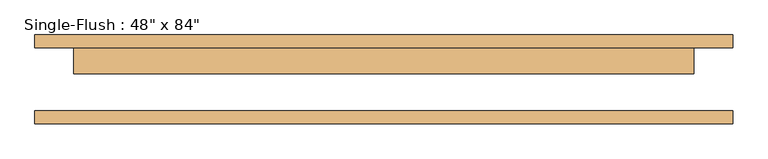
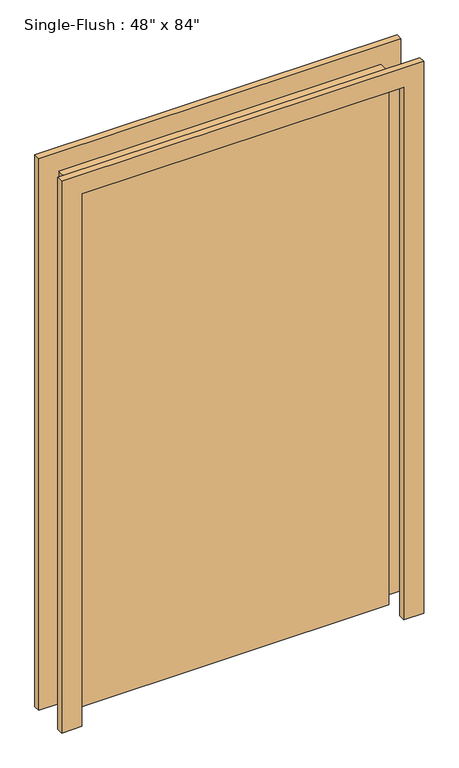
"""IFC4 building model written with IfcOpenShell, lengths in millimetres: door geometry."""

from ifc_helpers import new_model, si_unit, frame, origin, origin_with_axes, place, context, project, spatial, polyline, outline, extrude, source, transform, mapped, element, save


def door_0c2cb489(model_context):
    return source(origin(), model_context, "Body", "SweptSolid", [
        extrude(outline(polyline([(2209.8, -685.8), (0.0, -685.8), (0.0, -609.6), (2133.6, -609.6), (2133.6, 609.6), (0.0, 609.6), (0.0, 685.8), (2209.8, 685.8), (2209.8, -685.8)])), frame((0.0, 61.9125, 0.0), z_axis=(0.0, 1.0, 0.0), x_axis=(0.0, 0.0, 1.0)), (0.0, 0.0, 1.0), 25.4),
        extrude(outline(polyline([(2209.8, 685.8), (2209.8, -685.8), (0.0, -685.8), (0.0, -609.6), (2133.6, -609.6), (2133.6, 609.6), (0.0, 609.6), (0.0, 685.8), (2209.8, 685.8)])), frame((0.0, -87.3125, 0.0), z_axis=(0.0, 1.0, 0.0), x_axis=(0.0, 0.0, 1.0)), (0.0, 0.0, 1.0), 25.4),
        extrude(outline(polyline([(609.6, 11.1125), (-609.6, 11.1125), (-609.6, 61.9125), (609.6, 61.9125), (609.6, 11.1125)])), origin_with_axes(), (0.0, 0.0, 1.0), 2133.6),
    ])


if __name__ == "__main__":
    model = new_model("IFC4")
    model_context = context("Model", 3, world=origin())
    ifc_project = project(units=[si_unit("LENGTHUNIT", "METRE", prefix="MILLI")], contexts=[model_context])
    site = spatial("IfcSite", under=ifc_project)
    building = spatial("IfcBuilding", under=site)
    placement = place(None, origin())
    door_shape = door_0c2cb489(model_context)
    element("IfcDoor", 1, ObjectType="Single-Flush : 48\" x 84\"", at=placement, inside=building, context=model_context, shape_type="MappedRepresentation", body=[
        mapped(door_shape, transform((0.0, 0.0, 0.0), x_axis=(1.0, 0.0, 0.0), y_axis=(0.0, 1.0, 0.0), z_axis=(0.0, 0.0, 1.0))),
    ])
    save(model, "model.ifc")
